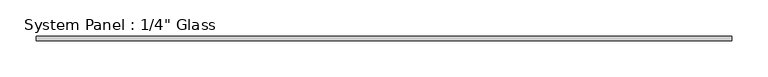
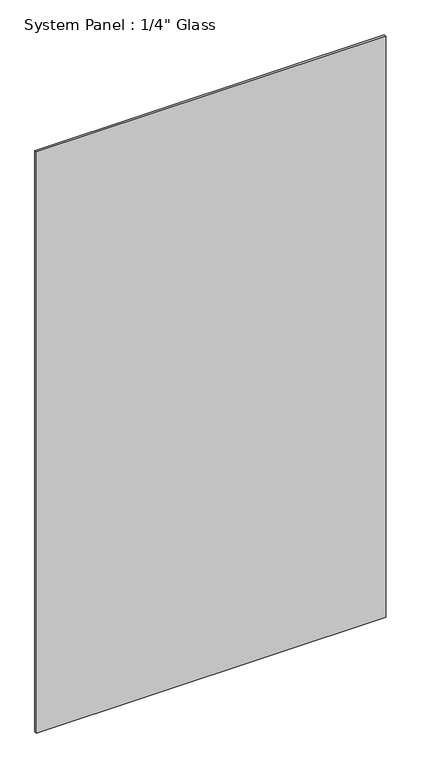
"""IFC4 building model written with IfcOpenShell, lengths in millimetres: plate geometry."""

from ifc_helpers import new_model, si_unit, origin, origin_with_axes, place, context, project, spatial, polyline, outline, extrude, source, transform, mapped, element, save


def plate_46721cb0(model_context):
    return source(origin(), model_context, "Body", "SweptSolid", [
        extrude(outline(polyline([(482.3631109, -3.175), (-482.3631109, -3.175), (-482.3631109, 3.175), (482.3631109, 3.175), (482.3631109, -3.175)])), origin_with_axes(), (0.0, 0.0, 1.0), 1695.45),
    ])


if __name__ == "__main__":
    model = new_model("IFC4")
    model_context = context("Model", 3, world=origin())
    ifc_project = project(units=[si_unit("LENGTHUNIT", "METRE", prefix="MILLI")], contexts=[model_context])
    site = spatial("IfcSite", under=ifc_project)
    building = spatial("IfcBuilding", under=site)
    placement = place(None, origin())
    plate_shape = plate_46721cb0(model_context)
    element("IfcPlate", 1, ObjectType="System Panel : 1/4\" Glass", at=placement, inside=building, context=model_context, shape_type="MappedRepresentation", body=[
        mapped(plate_shape, transform((0.0, 0.0, 0.0), x_axis=(1.0, 0.0, 0.0), y_axis=(0.0, 1.0, 0.0), z_axis=(0.0, 0.0, 1.0))),
    ])
    save(model, "model.ifc")
